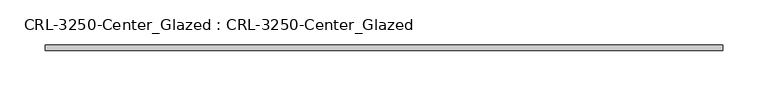
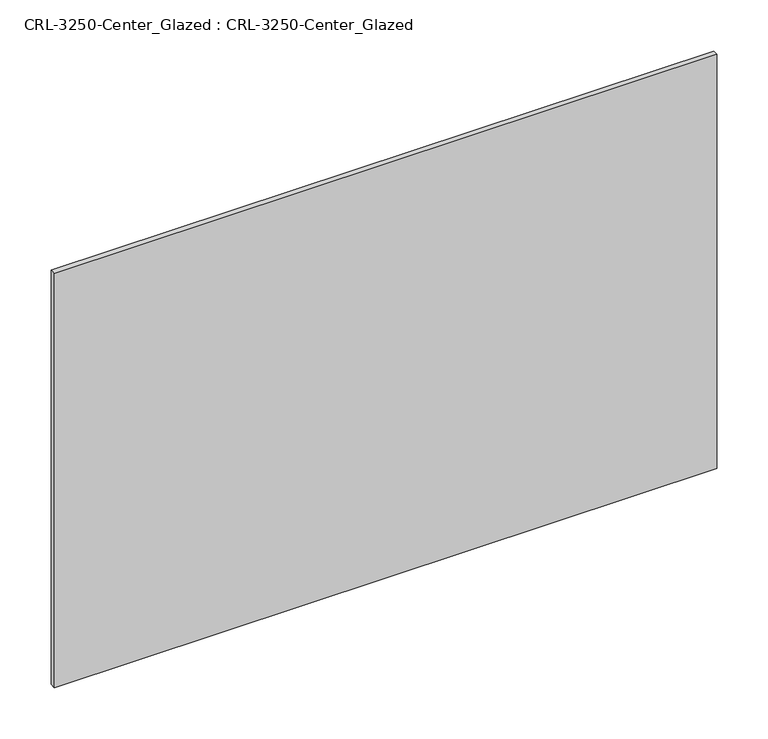
"""IFC4 building model written with IfcOpenShell, lengths in millimetres: plate geometry, CRL-3250-Center_Glazed : CRL-3250-Center_Glazed."""

import ifcopenshell
import ifcopenshell.guid

model = None  # the IFC model being written
_history = None  # IfcOwnerHistory: only IFC2X3 demands one
_inside = {}  # id of a spatial element -> (the spatial element, [elements in it])
_under = {}  # id of a project, library or spatial element -> (it, [spatial elements below it])
_declared = {}  # id of a project -> (the project, [libraries it declares])
_typed = {}  # id of a type object -> (the type object, [elements of that type])
_made_of = {}  # id of a material, layer set ... -> (it, [elements and type objects made of it])


def new_model(schema):
    """Start an empty IFC model of exactly this schema.

    Asked for "IFC4X3", IfcOpenShell would pick the latest addendum, in which some entities
    have other attributes; the version numbers below select the first issue.
    IFC2X3 requires an IfcOwnerHistory on every rooted entity: one is made here for all.
    """
    global model, _history
    if schema == "IFC4X3":
        model = ifcopenshell.file(schema_version=(4, 3, 0, 0))
    else:
        model = ifcopenshell.file(schema=schema)
    _inside.clear()
    _under.clear()
    _declared.clear()
    _typed.clear()
    _made_of.clear()
    _history = None
    if model.schema == "IFC2X3":
        org = make("IfcOrganization", Name="unknown")
        user = make(
            "IfcPersonAndOrganization",
            ThePerson=make("IfcPerson", FamilyName="unknown"),
            TheOrganization=org,
        )
        app = make(
            "IfcApplication",
            ApplicationDeveloper=org,
            Version="unknown",
            ApplicationFullName="unknown",
            ApplicationIdentifier="unknown",
        )
        _history = make(
            "IfcOwnerHistory",
            OwningUser=user,
            OwningApplication=app,
            ChangeAction="ADDED",
            CreationDate=0,
        )
    return model


def make(cls, **values):
    """One entity of the class cls with the attributes given. An attribute that is None is left unset."""
    return model.create_entity(
        cls, **{name: value for name, value in values.items() if value is not None}
    )


def rooted(cls, **values):
    """An entity with a GlobalId (a new one), such as an element, a storey or a relation."""
    return make(cls, GlobalId=ifcopenshell.guid.new(), OwnerHistory=_history, **values)


def si_unit(unit_type, name, prefix=None):
    """IfcSIUnit, for example si_unit("LENGTHUNIT", "METRE", prefix="MILLI")."""
    return make("IfcSIUnit", UnitType=unit_type, Prefix=prefix, Name=name)


def assignment(units):
    """IfcUnitAssignment: the units of a project."""
    return None if units is None else make("IfcUnitAssignment", Units=units)


def point(xyz):
    """IfcCartesianPoint."""
    return None if xyz is None else make("IfcCartesianPoint", Coordinates=xyz)


def direction(xyz):
    """IfcDirection."""
    return None if xyz is None else make("IfcDirection", DirectionRatios=xyz)


def frame(location, z_axis=None, x_axis=None):
    """IfcAxis2Placement3D, a coordinate frame: its origin and axes. An axis left out is left unset."""
    return make(
        "IfcAxis2Placement3D",
        Location=point(location),
        Axis=direction(z_axis),
        RefDirection=direction(x_axis),
    )


def origin():
    """The frame at (0, 0, 0) with its axes left unset."""
    return frame((0.0, 0.0, 0.0))


def origin_with_axes():
    """The frame at (0, 0, 0) with the z axis (0, 0, 1) and the x axis (1, 0, 0) written out."""
    return frame((0.0, 0.0, 0.0), z_axis=(0.0, 0.0, 1.0), x_axis=(1.0, 0.0, 0.0))


def place(relative_to, where):
    """IfcLocalPlacement: puts the frame where relative to a parent placement (None: the world)."""
    return make(
        "IfcLocalPlacement", PlacementRelTo=relative_to, RelativePlacement=where
    )


def context(
    kind, dimensions, precision=None, world=None, true_north=None, identifier=None
):
    """IfcGeometricRepresentationContext, for example the 3D "Model" context."""
    return make(
        "IfcGeometricRepresentationContext",
        ContextIdentifier=identifier,
        ContextType=kind,
        CoordinateSpaceDimension=dimensions,
        Precision=precision,
        WorldCoordinateSystem=world,
        TrueNorth=true_north,
    )


def project(units=None, contexts=None):
    """IfcProject with its units and contexts."""
    return rooted(
        "IfcProject",
        Name="project",
        RepresentationContexts=contexts,
        UnitsInContext=assignment(units),
    )


def spatial(cls, under=None, at=None, **own):
    """A site, building, storey or space (cls), placed at a placement, below another one or the project."""
    s = rooted(cls, ObjectPlacement=at, **own)
    if under is not None:
        _under.setdefault(under.id(), (under, []))[1].append(s)
    return s


def polyline(points):
    """IfcPolyline through the points."""
    return make("IfcPolyline", Points=[point(p) for p in points])


def outline(outer, holes=None, kind="AREA"):
    """IfcArbitraryClosedProfileDef: a profile drawn as a closed curve; with holes, ...WithVoids."""
    if holes is None:
        return make("IfcArbitraryClosedProfileDef", ProfileType=kind, OuterCurve=outer)
    return make(
        "IfcArbitraryProfileDefWithVoids",
        ProfileType=kind,
        OuterCurve=outer,
        InnerCurves=holes,
    )


def extrude(swept, where, along, depth):
    """IfcExtrudedAreaSolid: the profile swept, set in the frame where, extruded along a direction by depth."""
    return make(
        "IfcExtrudedAreaSolid",
        SweptArea=swept,
        Position=where,
        ExtrudedDirection=direction(along),
        Depth=depth,
    )


def shape(context_of_items, identifier, shape_type, items):
    """IfcShapeRepresentation: the items that make up one representation, for example the "Body"."""
    return make(
        "IfcShapeRepresentation",
        ContextOfItems=context_of_items,
        RepresentationIdentifier=identifier,
        RepresentationType=shape_type,
        Items=items,
    )


def source(mapping_origin, context_of_items, identifier, shape_type, items):
    """IfcRepresentationMap: a shape defined once, which mapped items show again and again."""
    return make(
        "IfcRepresentationMap",
        MappingOrigin=mapping_origin,
        MappedRepresentation=shape(context_of_items, identifier, shape_type, items),
    )


def transform(
    local_origin,
    x_axis=None,
    y_axis=None,
    z_axis=None,
    scale=None,
    scale2=None,
    scale3=None,
    uniform=True,
):
    """IfcCartesianTransformationOperator3D, or its non-uniform kind. x_axis, y_axis, z_axis: its Axis1, 2, 3."""
    if uniform:
        return make(
            "IfcCartesianTransformationOperator3D",
            Axis1=direction(x_axis),
            Axis2=direction(y_axis),
            LocalOrigin=point(local_origin),
            Scale=scale,
            Axis3=direction(z_axis),
        )
    return make(
        "IfcCartesianTransformationOperator3DnonUniform",
        Axis1=direction(x_axis),
        Axis2=direction(y_axis),
        LocalOrigin=point(local_origin),
        Scale=scale,
        Axis3=direction(z_axis),
        Scale2=scale2,
        Scale3=scale3,
    )


def mapped(mapping_source, mapping_target):
    """IfcMappedItem: shows the shape of a source again, moved by a transform."""
    return make(
        "IfcMappedItem", MappingSource=mapping_source, MappingTarget=mapping_target
    )


def made_of(thing, what):
    """Note that an element or type object is made of a material, layer set ...; save() writes the relation."""
    if what is not None:
        _made_of.setdefault(what.id(), (what, []))[1].append(thing)
    return thing


def element(
    cls,
    number,
    at=None,
    inside=None,
    cuts=None,
    type_object=None,
    material=None,
    context=None,
    identifier="Body",
    shape_type=None,
    held_by="IfcProductDefinitionShape",
    body=None,
    shapes=None,
    **own,
):
    """One element of the class cls, such as IfcWall. Its Tag is "e" and its number.

    at: its placement. inside: the storey or other place that contains it. cuts: it is an
    opening in that element (IfcRelVoidsElement). A single representation is given by context,
    identifier, shape_type and body (its items); several are given by shapes. held_by: the class
    of the entity that holds the representations. save() writes the other relations.
    """
    e = rooted(cls, Tag="e%d" % number, ObjectPlacement=at, **own)
    if body is not None:
        shapes = [shape(context, identifier, shape_type, body)]
    if shapes is not None:
        e.Representation = make(held_by, Representations=shapes)
    if inside is not None:
        _inside.setdefault(inside.id(), (inside, []))[1].append(e)
    if cuts is not None:
        rooted(
            "IfcRelVoidsElement", RelatingBuildingElement=cuts, RelatedOpeningElement=e
        )
    if type_object is not None:
        _typed.setdefault(type_object.id(), (type_object, []))[1].append(e)
    return made_of(e, material)


def aggregate(whole, parts):
    """IfcRelAggregates: a whole, such as a stair, and the parts it consists of."""
    return rooted("IfcRelAggregates", RelatingObject=whole, RelatedObjects=parts)


def save(model, path):
    """Write the relations noted so far, then the file.

    IfcRelAggregates (storeys below a building ...), IfcRelContainedInSpatialStructure (elements
    in a storey), IfcRelDefinesByType, IfcRelAssociatesMaterial and IfcRelDeclares: one each for
    every whole, place, type object, material and project.
    """
    for whole, parts in _under.values():
        aggregate(whole, parts)
    for where, things in _inside.values():
        rooted(
            "IfcRelContainedInSpatialStructure",
            RelatedElements=things,
            RelatingStructure=where,
        )
    for kind, things in _typed.values():
        rooted("IfcRelDefinesByType", RelatedObjects=things, RelatingType=kind)
    for what, things in _made_of.values():
        rooted("IfcRelAssociatesMaterial", RelatedObjects=things, RelatingMaterial=what)
    for by, libraries in _declared.values():
        rooted("IfcRelDeclares", RelatingContext=by, RelatedDefinitions=libraries)
    model.write(path)


def crl_3250_center_glazed_crl_3250_center_glazed_244a0e0c(model_context):
    return source(origin(), model_context, "Body", "SweptSolid", [
        extrude(outline(polyline([(374.6500023, -3.1749999), (-374.6500023, -3.1749999), (-374.6500023, 3.1749999), (374.6500023, 3.1749999), (374.6500023, -3.1749999)])), origin_with_axes(), (0.0, 0.0, 1.0), 495.3000045),
    ])


if __name__ == "__main__":
    model = new_model("IFC4")
    model_context = context("Model", 3, world=origin())
    ifc_project = project(units=[si_unit("LENGTHUNIT", "METRE", prefix="MILLI")], contexts=[model_context])
    site = spatial("IfcSite", under=ifc_project)
    building = spatial("IfcBuilding", under=site)
    placement = place(None, origin())
    crl_3250_center_glazed_crl_3250_center_glazed_shape = crl_3250_center_glazed_crl_3250_center_glazed_244a0e0c(model_context)
    element("IfcPlate", 1, ObjectType="CRL-3250-Center_Glazed : CRL-3250-Center_Glazed", at=placement, inside=building, context=model_context, shape_type="MappedRepresentation", body=[
        mapped(crl_3250_center_glazed_crl_3250_center_glazed_shape, transform((0.0, 0.0, 0.0), x_axis=(1.0, 0.0, 0.0), y_axis=(0.0, 1.0, 0.0), z_axis=(0.0, 0.0, 1.0))),
    ])
    save(model, "model.ifc")
